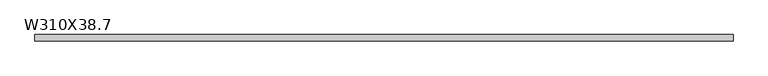
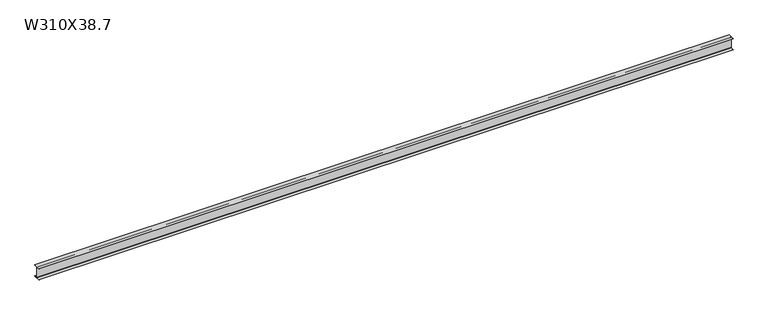
"""IFC4 building model written with IfcOpenShell, lengths in millimetres: beam geometry, W310X38.7."""

from ifc_helpers import new_model, si_unit, point, frame, frame_2d, origin, place, context, project, spatial, polyline, circle_curve, trimmed, segment, composite_curve, outline, extrude, source, transform, mapped, element, save


def w310x38_7_8af73009(model_context):
    return source(origin(), model_context, "Body", "SweptSolid", [
        extrude(outline(composite_curve([segment(polyline([(82.5, -145.35), (82.5, -155.0), (-82.5, -155.0), (-82.5, -145.35), (-10.57, -145.35)]), True, "CONTINUOUS"), segment(trimmed(circle_curve(frame_2d((-10.57, -137.7)), 7.65), [point((-10.57, -145.35))], [point((-2.92, -137.7))], True, "CARTESIAN"), True, "CONTINUOUS"), segment(polyline([(-2.92, -137.7), (-2.92, 137.7)]), True, "CONTINUOUS"), segment(trimmed(circle_curve(frame_2d((-10.57, 137.7)), 7.65), [point((-2.92, 137.7))], [point((-10.57, 145.35))], True, "CARTESIAN"), True, "CONTINUOUS"), segment(polyline([(-10.57, 145.35), (-82.5, 145.35), (-82.5, 155.0), (82.5, 155.0), (82.5, 145.35), (10.57, 145.35)]), True, "CONTINUOUS"), segment(trimmed(circle_curve(frame_2d((10.57, 137.7)), 7.65), [point((10.57, 145.35))], [point((2.92, 137.7))], True, "CARTESIAN"), True, "CONTINUOUS"), segment(polyline([(2.92, 137.7), (2.92, -137.7)]), True, "CONTINUOUS"), segment(trimmed(circle_curve(frame_2d((10.57, -137.7)), 7.65), [point((2.92, -137.7))], [point((10.57, -145.35))], True, "CARTESIAN"), True, "CONTINUOUS"), segment(polyline([(10.57, -145.35), (82.5, -145.35)]), True, "CONTINUOUS")], self_intersect=False)), frame((-9000.0, 0.0, 0.0), z_axis=(1.0, 0.0, 0.0), x_axis=(0.0, 1.0, 0.0)), (0.0, 0.0, 1.0), 18000.0),
    ])


if __name__ == "__main__":
    model = new_model("IFC4")
    model_context = context("Model", 3, world=origin())
    ifc_project = project(units=[si_unit("LENGTHUNIT", "METRE", prefix="MILLI")], contexts=[model_context])
    site = spatial("IfcSite", under=ifc_project)
    building = spatial("IfcBuilding", under=site)
    placement = place(None, origin())
    w310x38_7_shape = w310x38_7_8af73009(model_context)
    element("IfcBeam", 1, ObjectType="W310X38.7", at=placement, inside=building, context=model_context, shape_type="MappedRepresentation", body=[
        mapped(w310x38_7_shape, transform((0.0, 0.0, 0.0), x_axis=(1.0, 0.0, 0.0), y_axis=(0.0, 1.0, 0.0), z_axis=(0.0, 0.0, 1.0))),
    ])
    save(model, "model.ifc")
